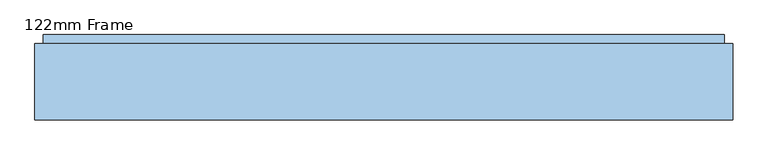
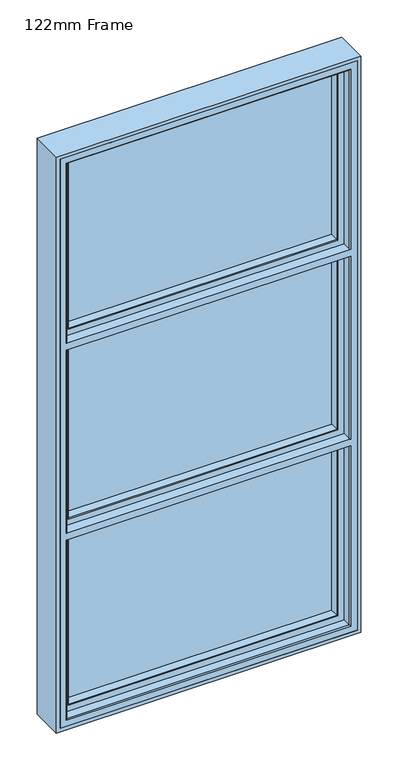
"""IFC4 building model written with IfcOpenShell, lengths in millimetres: window geometry, 122mm Frame."""

from ifc_helpers import new_model, si_unit, frame, origin, place, context, project, spatial, polyline, circle_curve, ellipse_curve, outline, extrude, source, transform, mapped, element, save
from ifc_brep_helpers import plane_surface, cylinder_surface, advanced_brep


def window_122mm_frame_300a90e1(model_context):
    return source(origin(), model_context, "Body", "SolidModel", [
        extrude(outline(polyline([(-452.6, 141.0), (452.6, 141.0), (452.6, 93.0), (-452.6, 93.0), (-452.6, 141.0)])), frame((0.0, 0.0, 847.4), z_axis=(0.0, 0.0, 1.0), x_axis=(1.0, 0.0, 0.0)), (0.0, 0.0, 1.0), 599.2666667),
        advanced_brep(
        [(-437.8697056, 91.0, 1432.9363723), (-440.9078547, 66.2562613, 1435.9745214), (-440.9078547, 66.2562613, 859.0921453), (-437.8697056, 91.0, 862.1302944), (-442.892947, 64.5, 1437.9596137), (-442.892947, 64.5, 857.107053), (440.9078547, 66.2562613, 859.0921453), (437.8697056, 91.0, 862.1302944), (-461.5, 91.0, 1456.5666667), (461.5, 91.0, 1456.5666667), (461.5, 91.0, 838.5), (-461.5, 91.0, 838.5), (437.8697056, 91.0, 1432.9363723), (-461.5, 82.0, 1456.5666667), (-461.5, 82.0, 838.5), (461.5, 82.0, 838.5), (-464.0, 82.0, 1459.0666667), (464.0, 82.0, 1459.0666667), (464.0, 82.0, 836.0), (-464.0, 82.0, 836.0), (461.5, 82.0, 1456.5666667), (-464.0, 64.5, 1459.0666667), (-464.0, 64.5, 836.0), (464.0, 64.5, 836.0), (464.0, 64.5, 1459.0666667), (442.892947, 64.5, 1437.9596137), (442.892947, 64.5, 857.107053), (440.9078547, 66.2562613, 1435.9745214)],
        [
            (0, 1),
            (1, 2),
            (2, 3),
            (3, 0),
            (1, 4, ellipse_curve(frame((-442.892947, 66.5, 1437.9596137), z_axis=(-0.7071067811865475, 0.0, -0.7071067811865475), x_axis=(-0.7071067811865474, 0.0, 0.7071067811865476)), 2.8284271, 2.0)),
            (4, 5),
            (5, 2, ellipse_curve(frame((-442.892947, 66.5, 857.107053), z_axis=(-0.7071067811865475, 0.0, 0.7071067811865475), x_axis=(0.7071067811865474, 0.0, 0.7071067811865476)), 2.8284271, 2.0)),
            (2, 6),
            (6, 7),
            (7, 3),
            (8, 9),
            (9, 10),
            (10, 11),
            (11, 8),
            (7, 12),
            (12, 0),
            (13, 8),
            (11, 14),
            (14, 13),
            (10, 15),
            (15, 14),
            (16, 17),
            (17, 18),
            (18, 19),
            (19, 16),
            (15, 20),
            (20, 13),
            (21, 16),
            (19, 22),
            (22, 21),
            (18, 23),
            (23, 22),
            (23, 24),
            (24, 21),
            (4, 25),
            (25, 26),
            (26, 5),
            (26, 6, ellipse_curve(frame((442.892947, 66.5, 857.107053), z_axis=(-0.7071067811865475, 0.0, -0.7071067811865475), x_axis=(-0.7071067811865476, 0.0, 0.7071067811865474)), 2.8284271, 2.0)),
            (6, 27),
            (27, 12),
            (9, 20),
            (17, 24),
            (25, 27, ellipse_curve(frame((442.892947, 66.5, 1437.9596137), z_axis=(0.7071067811865475, 0.0, -0.7071067811865475), x_axis=(-0.7071067811865474, 0.0, -0.7071067811865476)), 2.8284271, 2.0)),
            (27, 1),
        ],
        [
            plane_surface(frame((-440.9078547, 66.2562613, 1435.9745214), z_axis=(0.9925461516413219, -0.12186934340514886, 0.0), x_axis=(0.0, 0.0, -1.0))),
            cylinder_surface(frame((-442.892947, 66.5, 1432.6666667), z_axis=(0.0, 0.0, 1.0), x_axis=(0.0, 1.0, 0.0)), 2.0),
            plane_surface(frame((-440.9078547, 66.2562613, 859.0921453), z_axis=(0.0, -0.12186934340514886, 0.9925461516413219), x_axis=(1.0, 0.0, 0.0))),
            plane_surface(frame((437.8697056, 91.0, 1432.9363723), z_axis=(0.0, 1.0, 0.0), x_axis=(-1.0, 0.0, 0.0))),
            plane_surface(frame((-461.5, 91.0, 1456.5666667), z_axis=(-1.0, 0.0, 0.0), x_axis=(0.0, 0.0, -1.0))),
            plane_surface(frame((-461.5, 91.0, 838.5), z_axis=(0.0, 0.0, -1.0), x_axis=(1.0, 0.0, 0.0))),
            plane_surface(frame((461.5, 82.0, 1456.5666667), z_axis=(0.0, 1.0, 0.0), x_axis=(-1.0, 0.0, 0.0))),
            plane_surface(frame((-464.0, 82.0, 1459.0666667), z_axis=(-1.0, 0.0, 0.0), x_axis=(0.0, 0.0, -1.0))),
            plane_surface(frame((-464.0, 82.0, 836.0), z_axis=(0.0, 0.0, -1.0), x_axis=(1.0, 0.0, 0.0))),
            plane_surface(frame((464.0, 64.5, 1459.0666667), z_axis=(0.0, -1.0, 0.0), x_axis=(-1.0, 0.0, 0.0))),
            cylinder_surface(frame((-437.6, 66.5, 857.107053), z_axis=(-1.0, 0.0, 0.0), x_axis=(0.0, 1.0, 0.0)), 2.0),
            plane_surface(frame((440.9078547, 66.2562613, 859.0921453), z_axis=(-0.9925461516413219, -0.12186934340514886, 0.0), x_axis=(0.0, 0.0, 1.0))),
            plane_surface(frame((461.5, 91.0, 838.5), z_axis=(1.0, 0.0, 0.0), x_axis=(0.0, 0.0, 1.0))),
            plane_surface(frame((464.0, 82.0, 836.0), z_axis=(1.0, 0.0, 0.0), x_axis=(0.0, 0.0, 1.0))),
            cylinder_surface(frame((442.892947, 66.5, 862.4), z_axis=(0.0, 0.0, -1.0), x_axis=(0.0, 1.0, 0.0)), 2.0),
            plane_surface(frame((440.9078547, 66.2562613, 1435.9745214), z_axis=(0.0, -0.12186934340514886, -0.9925461516413219), x_axis=(-1.0, 0.0, 0.0))),
            plane_surface(frame((461.5, 91.0, 1456.5666667), z_axis=(0.0, 0.0, 1.0), x_axis=(-1.0, 0.0, 0.0))),
            plane_surface(frame((464.0, 82.0, 1459.0666667), z_axis=(0.0, 0.0, 1.0), x_axis=(-1.0, 0.0, 0.0))),
            cylinder_surface(frame((437.6, 66.5, 1437.9596137), z_axis=(1.0, 0.0, 0.0), x_axis=(0.0, 1.0, 0.0)), 2.0),
        ],
        [
            (0, [[1, 2, 3, 4]]),
            (1, [[5, 6, 7, -2]]),
            (2, [[-3, 8, 9, 10]]),
            (3, [[11, 12, 13, 14], [-10, 15, 16, -4]]),
            (4, [[17, -14, 18, 19]]),
            (5, [[-18, -13, 20, 21]]),
            (6, [[22, 23, 24, 25], [-21, 26, 27, -19]]),
            (7, [[28, -25, 29, 30]]),
            (8, [[-29, -24, 31, 32]]),
            (9, [[-32, 33, 34, -30], [35, 36, 37, -6]]),
            (10, [[-7, -37, 38, -8]]),
            (11, [[-9, 39, 40, -15]]),
            (12, [[-20, -12, 41, -26]]),
            (13, [[-31, -23, 42, -33]]),
            (14, [[-38, -36, 43, -39]]),
            (15, [[-40, 44, -1, -16]]),
            (16, [[-41, -11, -17, -27]]),
            (17, [[-42, -22, -28, -34]]),
            (18, [[-43, -35, -5, -44]]),
        ],
    ),
        advanced_brep(
        [(-488.0, 90.5, 2788.0), (-488.0, 154.0, 2788.0), (-488.0, 154.0, 812.0), (-488.0, 90.5, 812.0), (-488.0, 90.5, 1458.6666667), (-488.0, 86.5, 1458.6666667), (-488.0, 86.5, 812.0), (-488.0, 32.0, 812.0), (-488.0, 32.0, 2788.0), (-488.0, 86.5, 2788.0), (-488.0, 86.5, 2141.3333333), (-488.0, 90.5, 2141.3333333), (-488.0, 90.5, 1482.6666667), (-488.0, 90.5, 2117.3333333), (-488.0, 86.5, 2117.3333333), (-488.0, 86.5, 1482.6666667), (488.0, 154.0, 2788.0), (488.0, 154.0, 812.0), (-441.2576108, 154.0, 858.7423892), (441.2576108, 154.0, 858.7423892), (441.2576108, 154.0, 1435.9242774), (-441.2576108, 154.0, 1435.9242774), (441.2576108, 154.0, 2741.2576108), (-441.2576108, 154.0, 2741.2576108), (-441.2576108, 154.0, 2164.0757226), (441.2576108, 154.0, 2164.0757226), (441.2576108, 154.0, 1505.4090559), (441.2576108, 154.0, 2094.5909441), (-441.2576108, 154.0, 2094.5909441), (-441.2576108, 154.0, 1505.4090559), (488.0, 90.5, 812.0), (488.0, 90.5, 1458.6666667), (481.0, 90.5, 1458.6666667), (481.0, 90.5, 819.0), (-481.0, 90.5, 819.0), (-481.0, 90.5, 1458.6666667), (488.0, 90.5, 2788.0), (-481.0, 90.5, 2141.3333333), (-481.0, 90.5, 2781.0), (481.0, 90.5, 2781.0), (481.0, 90.5, 2141.3333333), (488.0, 90.5, 2141.3333333), (-481.0, 90.5, 1482.6666667), (-481.0, 90.5, 2117.3333333), (481.0, 90.5, 1482.6666667), (488.0, 90.5, 1482.6666667), (488.0, 90.5, 2117.3333333), (481.0, 90.5, 2117.3333333), (-481.0, 86.5, 819.0), (481.0, 86.5, 819.0), (481.0, 86.5, 1458.6666667), (488.0, 86.5, 1458.6666667), (488.0, 86.5, 812.0), (-481.0, 86.5, 1458.6666667), (481.0, 86.5, 2781.0), (-481.0, 86.5, 2781.0), (-481.0, 86.5, 2141.3333333), (488.0, 86.5, 2788.0), (488.0, 86.5, 2141.3333333), (481.0, 86.5, 2141.3333333), (-481.0, 86.5, 1482.6666667), (-481.0, 86.5, 2117.3333333), (488.0, 86.5, 1482.6666667), (481.0, 86.5, 1482.6666667), (481.0, 86.5, 2117.3333333), (488.0, 86.5, 2117.3333333), (488.0, 32.0, 812.0), (488.0, 32.0, 2788.0), (467.0, 32.0, 833.0), (-467.0, 32.0, 833.0), (-467.0, 32.0, 1458.6666667), (467.0, 32.0, 1458.6666667), (-467.0, 32.0, 2767.0), (467.0, 32.0, 2767.0), (467.0, 32.0, 2141.3333333), (-467.0, 32.0, 2141.3333333), (-467.0, 32.0, 1482.6666667), (-467.0, 32.0, 2117.3333333), (467.0, 32.0, 2117.3333333), (467.0, 32.0, 1482.6666667), (-438.0131086, 143.3877115, 861.9868914), (-438.0131086, 142.0, 861.9868914), (438.0131086, 142.0, 861.9868914), (438.0131086, 143.3877115, 861.9868914), (-462.2226568, 142.0, 837.7773432), (462.2226568, 142.0, 837.7773432), (462.2226568, 142.0, 1456.7286793), (-462.2226568, 142.0, 1456.7286793), (-438.0131086, 142.0, 1432.2555093), (438.0131086, 142.0, 1432.2555093), (462.2226568, 142.0, 2762.2226568), (-462.2226568, 142.0, 2762.2226568), (-462.2226568, 142.0, 2143.2713207), (462.2226568, 142.0, 2143.2713207), (-438.0131086, 142.0, 2738.0131086), (438.0131086, 142.0, 2738.0131086), (438.0131086, 142.0, 2167.7444907), (-438.0131086, 142.0, 2167.7444907), (-462.2226568, 142.0, 1484.6046541), (462.2226568, 142.0, 1484.6046541), (462.2226568, 142.0, 2115.3953459), (-462.2226568, 142.0, 2115.3953459), (438.0131086, 142.0, 1509.0778241), (-438.0131086, 142.0, 1509.0778241), (-438.0131086, 142.0, 2090.9221759), (438.0131086, 142.0, 2090.9221759), (-438.0131086, 143.3877115, 1432.6797752), (-438.0131086, 143.3877115, 2738.0131086), (-438.0131086, 143.3877115, 2167.3202248), (-438.0131086, 143.3877115, 1508.6535581), (-438.0131086, 143.3877115, 2091.3464419), (438.0131086, 143.3877115, 1432.6797752), (438.0131086, 143.3877115, 2738.0131086), (438.0131086, 143.3877115, 2167.3202248), (438.0131086, 143.3877115, 1508.6535581), (438.0131086, 143.3877115, 2091.3464419), (-455.7805994, 91.0, 844.2194006), (455.7805994, 91.0, 844.2194006), (455.7805994, 91.0, 1450.4666667), (455.7805994, 91.0, 2755.7805994), (455.7805994, 91.0, 2149.5333333), (455.7805994, 91.0, 1490.8666667), (455.7805994, 91.0, 2109.1333333), (-455.7805994, 91.0, 1450.4666667), (-455.7805994, 91.0, 2755.7805994), (-455.7805994, 91.0, 2149.5333333), (-455.7805994, 91.0, 1490.8666667), (-455.7805994, 91.0, 2109.1333333), (-462.0, 91.0, 838.0), (462.0, 91.0, 838.0), (462.0, 91.0, 1458.6666667), (-462.0, 91.0, 1458.6666667), (462.0, 91.0, 2762.0), (-462.0, 91.0, 2762.0), (-462.0, 91.0, 2141.3333333), (462.0, 91.0, 2141.3333333), (-462.0, 91.0, 1482.6666667), (462.0, 91.0, 1482.6666667), (462.0, 91.0, 2117.3333333), (-462.0, 91.0, 2117.3333333), (-462.0, 83.0, 838.0), (462.0, 83.0, 838.0), (462.0, 83.0, 1458.6666667), (462.0, 83.0, 2762.0), (462.0, 83.0, 2141.3333333), (462.0, 83.0, 1482.6666667), (462.0, 83.0, 2117.3333333), (-462.0, 83.0, 1458.6666667), (-462.0, 83.0, 2762.0), (-462.0, 83.0, 2141.3333333), (-462.0, 83.0, 1482.6666667), (-462.0, 83.0, 2117.3333333), (464.0, 35.0, 836.0), (-464.0, 35.0, 836.0), (-464.0, 35.0, 1458.6666667), (-464.0, 35.0, 2764.0), (-464.0, 35.0, 2141.3333333), (-464.0, 35.0, 1482.6666667), (-464.0, 35.0, 2117.3333333), (464.0, 35.0, 1458.6666667), (464.0, 35.0, 2764.0), (464.0, 35.0, 2141.3333333), (464.0, 35.0, 1482.6666667), (464.0, 35.0, 2117.3333333), (-464.0, 83.0, 836.0), (-464.0, 83.0, 1458.6666667), (-464.0, 83.0, 2764.0), (-464.0, 83.0, 2141.3333333), (-464.0, 83.0, 1482.6666667), (-464.0, 83.0, 2117.3333333), (464.0, 83.0, 836.0), (464.0, 83.0, 1458.6666667), (464.0, 83.0, 2764.0), (464.0, 83.0, 2141.3333333), (464.0, 83.0, 1482.6666667), (464.0, 83.0, 2117.3333333)],
        [
            (0, 1),
            (1, 2),
            (2, 3),
            (3, 4),
            (4, 5),
            (5, 6),
            (6, 7),
            (7, 8),
            (8, 9),
            (9, 10),
            (10, 11),
            (11, 0),
            (12, 13),
            (13, 14),
            (14, 15),
            (15, 12),
            (16, 17),
            (17, 2),
            (1, 16),
            (18, 19),
            (19, 20),
            (20, 21),
            (21, 18),
            (22, 23),
            (23, 24),
            (24, 25),
            (25, 22),
            (26, 27),
            (27, 28),
            (28, 29),
            (29, 26),
            (17, 30),
            (30, 3),
            (30, 31),
            (31, 32),
            (32, 33),
            (33, 34),
            (34, 35),
            (35, 4),
            (36, 0),
            (11, 37),
            (37, 38),
            (38, 39),
            (39, 40),
            (40, 41),
            (41, 36),
            (12, 42),
            (42, 43),
            (43, 13),
            (44, 45),
            (45, 46),
            (46, 47),
            (47, 44),
            (48, 49),
            (49, 50),
            (50, 51),
            (51, 52),
            (52, 6),
            (5, 53),
            (53, 48),
            (54, 55),
            (55, 56),
            (56, 10),
            (9, 57),
            (57, 58),
            (58, 59),
            (59, 54),
            (60, 15),
            (14, 61),
            (61, 60),
            (62, 63),
            (63, 64),
            (64, 65),
            (65, 62),
            (66, 7),
            (52, 66),
            (66, 67),
            (67, 8),
            (68, 69),
            (69, 70),
            (70, 71),
            (71, 68),
            (72, 73),
            (73, 74),
            (74, 75),
            (75, 72),
            (76, 77),
            (77, 78),
            (78, 79),
            (79, 76),
            (16, 36),
            (41, 58),
            (57, 67),
            (51, 31),
            (65, 46),
            (45, 62),
            (80, 81),
            (81, 82),
            (82, 83),
            (83, 80),
            (84, 85),
            (85, 86),
            (86, 87),
            (87, 84),
            (81, 88),
            (88, 89),
            (89, 82),
            (90, 91),
            (91, 92),
            (92, 93),
            (93, 90),
            (94, 95),
            (95, 96),
            (96, 97),
            (97, 94),
            (98, 99),
            (99, 100),
            (100, 101),
            (101, 98),
            (102, 103),
            (103, 104),
            (104, 105),
            (105, 102),
            (80, 106),
            (106, 88),
            (107, 94),
            (97, 108),
            (108, 107),
            (103, 109),
            (109, 110),
            (110, 104),
            (89, 111),
            (111, 83),
            (95, 112),
            (112, 113),
            (113, 96),
            (114, 102),
            (105, 115),
            (115, 114),
            (84, 116),
            (116, 117),
            (117, 85),
            (117, 118),
            (118, 86),
            (119, 90),
            (93, 120),
            (120, 119),
            (99, 121),
            (121, 122),
            (122, 100),
            (87, 123),
            (123, 116),
            (91, 124),
            (124, 125),
            (125, 92),
            (126, 98),
            (101, 127),
            (127, 126),
            (128, 129),
            (129, 130),
            (130, 131),
            (131, 128),
            (123, 118),
            (132, 133),
            (133, 134),
            (134, 135),
            (135, 132),
            (120, 125),
            (124, 119),
            (136, 137),
            (137, 138),
            (138, 139),
            (139, 136),
            (121, 126),
            (127, 122),
            (128, 140),
            (140, 141),
            (141, 129),
            (141, 142),
            (142, 130),
            (143, 132),
            (135, 144),
            (144, 143),
            (137, 145),
            (145, 146),
            (146, 138),
            (131, 147),
            (147, 140),
            (133, 148),
            (148, 149),
            (149, 134),
            (150, 136),
            (139, 151),
            (151, 150),
            (152, 153),
            (153, 69, ellipse_curve(frame((-467.0, 35.0, 833.0), z_axis=(0.7071067811865475, 0.0, -0.7071067811865475), x_axis=(-0.7071067811865476, 0.0, -0.7071067811865474)), 4.2426407, 3.0)),
            (68, 152, ellipse_curve(frame((467.0, 35.0, 833.0), z_axis=(-0.7071067811865475, 0.0, -0.7071067811865475), x_axis=(-0.7071067811865476, 0.0, 0.7071067811865474)), 4.2426407, 3.0)),
            (153, 154),
            (154, 70, circle_curve(frame((-467.0, 35.0, 1458.6666667), z_axis=(0.0, 0.0, -1.0), x_axis=(0.0, 1.0, 0.0)), 3.0)),
            (155, 72, ellipse_curve(frame((-467.0, 35.0, 2767.0), z_axis=(-0.7071067811865475, 0.0, -0.7071067811865475), x_axis=(-0.7071067811865474, 0.0, 0.7071067811865476)), 4.2426407, 3.0)),
            (75, 156, circle_curve(frame((-467.0, 35.0, 2141.3333333), z_axis=(0.0, 0.0, 1.0), x_axis=(0.0, 1.0, 0.0)), 3.0)),
            (156, 155),
            (76, 157, circle_curve(frame((-467.0, 35.0, 1482.6666667), z_axis=(0.0, 0.0, 1.0), x_axis=(0.0, 1.0, 0.0)), 3.0)),
            (157, 158),
            (158, 77, circle_curve(frame((-467.0, 35.0, 2117.3333333), z_axis=(0.0, 0.0, -1.0), x_axis=(0.0, 1.0, 0.0)), 3.0)),
            (71, 159, circle_curve(frame((467.0, 35.0, 1458.6666667), z_axis=(0.0, 0.0, -1.0), x_axis=(0.0, 1.0, 0.0)), 3.0)),
            (159, 152),
            (73, 160, ellipse_curve(frame((467.0, 35.0, 2767.0), z_axis=(0.7071067811865475, 0.0, -0.7071067811865475), x_axis=(-0.7071067811865474, 0.0, -0.7071067811865476)), 4.2426407, 3.0)),
            (160, 161),
            (161, 74, circle_curve(frame((467.0, 35.0, 2141.3333333), z_axis=(0.0, 0.0, 1.0), x_axis=(0.0, 1.0, 0.0)), 3.0)),
            (162, 79, circle_curve(frame((467.0, 35.0, 1482.6666667), z_axis=(0.0, 0.0, 1.0), x_axis=(0.0, 1.0, 0.0)), 3.0)),
            (78, 163, circle_curve(frame((467.0, 35.0, 2117.3333333), z_axis=(0.0, 0.0, -1.0), x_axis=(0.0, 1.0, 0.0)), 3.0)),
            (163, 162),
            (18, 80),
            (83, 19),
            (111, 20),
            (112, 22),
            (25, 113),
            (26, 114),
            (115, 27),
            (21, 106),
            (23, 107),
            (108, 24),
            (109, 29),
            (28, 110),
            (153, 164),
            (164, 165),
            (165, 154),
            (166, 155),
            (156, 167),
            (167, 166),
            (157, 168),
            (168, 169),
            (169, 158),
            (152, 170),
            (170, 164),
            (170, 171),
            (171, 142),
            (147, 165),
            (172, 166),
            (167, 149),
            (148, 143),
            (144, 173),
            (173, 172),
            (145, 174),
            (174, 175),
            (175, 146),
            (168, 150),
            (151, 169),
            (159, 171),
            (160, 172),
            (173, 161),
            (174, 162),
            (163, 175),
            (34, 48),
            (53, 35),
            (55, 38),
            (37, 56),
            (42, 60),
            (61, 43),
            (33, 49),
            (32, 50),
            (39, 54),
            (59, 40),
            (63, 44),
            (47, 64),
            (107, 112),
            (155, 160),
        ],
        [
            plane_surface(frame((-488.0, 154.0, 1435.9242774), z_axis=(-1.0000000000000002, 0.0, 0.0), x_axis=(0.0, -0.9563047559638646, -0.29237170472002516))),
            plane_surface(frame((-488.0, 154.0, 1505.4090559), z_axis=(0.0, 1.0, 0.0), x_axis=(1.0, 0.0, 0.0))),
            plane_surface(frame((-488.0, 154.0, 812.0), z_axis=(0.0, 0.0, -1.0), x_axis=(1.0, 0.0, 0.0))),
            plane_surface(frame((488.0, 90.5, 2788.0), z_axis=(0.0, -1.0, 0.0), x_axis=(-1.0, 0.0, 0.0))),
            plane_surface(frame((481.0, 86.5, 2781.0), z_axis=(0.0, 1.0, 0.0), x_axis=(-1.0, 0.0, 0.0))),
            plane_surface(frame((-488.0, 86.5, 812.0), z_axis=(0.0, 0.0, -1.0), x_axis=(1.0, 0.0, 0.0))),
            plane_surface(frame((-488.0, 32.0, 1458.6666667), z_axis=(0.0, -1.0, 0.0), x_axis=(1.0, 0.0, 0.0))),
            plane_surface(frame((488.0, 154.0, 1435.9242774), z_axis=(1.0000000000000002, 0.0, 0.0), x_axis=(0.0, 0.9563047559638646, 0.29237170472002516))),
            plane_surface(frame((-438.0131086, 142.0, 861.9868914), z_axis=(0.0, 0.0, 1.0), x_axis=(1.0, 0.0, 0.0))),
            plane_surface(frame((-488.0, 142.0, 1432.2555093), z_axis=(0.0, -1.0, 0.0), x_axis=(1.0, 0.0, 0.0))),
            plane_surface(frame((-438.0131086, 142.0, 2738.0131086), z_axis=(1.0, 0.0, 0.0), x_axis=(0.0, 0.0, -1.0))),
            plane_surface(frame((438.0131086, 142.0, 861.9868914), z_axis=(-1.0, 0.0, 0.0), x_axis=(0.0, 0.0, 1.0))),
            plane_surface(frame((-455.7805994, 91.0, 844.2194006), z_axis=(0.0, 0.1253190461918616, 0.992116493493361), x_axis=(1.0, 0.0, 0.0))),
            plane_surface(frame((455.7805994, 91.0, 844.2194006), z_axis=(-0.992116493493361, 0.1253190461918616, 0.0), x_axis=(0.0, 0.0, 1.0))),
            plane_surface(frame((-455.7805994, 91.0, 2755.7805994), z_axis=(0.992116493493361, 0.1253190461918616, 0.0), x_axis=(0.0, 0.0, -1.0))),
            plane_surface(frame((-488.0, 91.0, 1450.4666667), z_axis=(0.0, -1.0, 0.0), x_axis=(1.0, 0.0, 0.0))),
            plane_surface(frame((-462.0, 83.0, 838.0), z_axis=(0.0, 0.0, 1.0), x_axis=(1.0, 0.0, 0.0))),
            plane_surface(frame((462.0, 83.0, 838.0), z_axis=(-1.0, 0.0, 0.0), x_axis=(0.0, 0.0, 1.0))),
            plane_surface(frame((-462.0, 83.0, 2762.0), z_axis=(1.0, 0.0, 0.0), x_axis=(0.0, 0.0, -1.0))),
            cylinder_surface(frame((-488.0, 35.0, 833.0), z_axis=(-1.0, 0.0, 0.0), x_axis=(0.0, 1.0, 0.0)), 3.0),
            cylinder_surface(frame((-467.0, 35.0, 2788.0), z_axis=(0.0, 0.0, 1.0), x_axis=(0.0, 1.0, 0.0)), 3.0),
            cylinder_surface(frame((467.0, 35.0, 812.0), z_axis=(0.0, 0.0, -1.0), x_axis=(0.0, 1.0, 0.0)), 3.0),
            plane_surface(frame((-438.0131086, 143.3877115, 861.9868914), z_axis=(0.0, 0.29237170472308205, 0.95630475596293), x_axis=(1.0, 0.0, 0.0))),
            plane_surface(frame((438.0131086, 143.3877115, 861.9868914), z_axis=(-0.95630475596293, 0.29237170472308205, 0.0), x_axis=(0.0, 0.0, 1.0))),
            plane_surface(frame((-438.0131086, 143.3877115, 2738.0131086), z_axis=(0.95630475596293, 0.29237170472308205, 0.0), x_axis=(0.0, 0.0, -1.0))),
            plane_surface(frame((-464.0, 35.0, 2764.0), z_axis=(1.0, 0.0, 0.0), x_axis=(0.0, 0.0, -1.0))),
            plane_surface(frame((-464.0, 35.0, 836.0), z_axis=(0.0, 0.0, 1.0), x_axis=(1.0, 0.0, 0.0))),
            plane_surface(frame((464.0, 83.0, 2764.0), z_axis=(0.0, -1.0, 0.0), x_axis=(-1.0, 0.0, 0.0))),
            plane_surface(frame((464.0, 35.0, 836.0), z_axis=(-1.0, 0.0, 0.0), x_axis=(0.0, 0.0, 1.0))),
            plane_surface(frame((-481.0, 90.5, 2781.0), z_axis=(-1.0, 0.0, 0.0), x_axis=(0.0, 0.0, -1.0))),
            plane_surface(frame((-481.0, 90.5, 819.0), z_axis=(0.0, 0.0, -1.0), x_axis=(1.0, 0.0, 0.0))),
            plane_surface(frame((481.0, 90.5, 819.0), z_axis=(1.0, 0.0, 0.0), x_axis=(0.0, 0.0, 1.0))),
            plane_surface(frame((488.0, 154.0, 2788.0), z_axis=(0.0, 0.0, 1.0), x_axis=(-1.0, 0.0, 0.0))),
            plane_surface(frame((488.0, 86.5, 2788.0), z_axis=(0.0, 0.0, 1.0), x_axis=(-1.0, 0.0, 0.0))),
            plane_surface(frame((438.0131086, 142.0, 2738.0131086), z_axis=(0.0, 0.0, -1.0), x_axis=(-1.0, 0.0, 0.0))),
            plane_surface(frame((-488.0, 142.0, 2167.7444907), z_axis=(0.0, 0.2923717047200097, 0.9563047559638692), x_axis=(1.0, 0.0, 0.0))),
            plane_surface(frame((455.7805994, 91.0, 2755.7805994), z_axis=(0.0, 0.1253190461918616, -0.992116493493361), x_axis=(-1.0, 0.0, 0.0))),
            plane_surface(frame((462.0, 83.0, 2762.0), z_axis=(0.0, 0.0, -1.0), x_axis=(-1.0, 0.0, 0.0))),
            cylinder_surface(frame((488.0, 35.0, 2767.0), z_axis=(1.0, 0.0, 0.0), x_axis=(0.0, 1.0, 0.0)), 3.0),
            plane_surface(frame((438.0131086, 143.3877115, 2738.0131086), z_axis=(0.0, 0.29237170472308205, -0.95630475596293), x_axis=(-1.0, 0.0, 0.0))),
            plane_surface(frame((464.0, 35.0, 2764.0), z_axis=(0.0, 0.0, -1.0), x_axis=(-1.0, 0.0, 0.0))),
            plane_surface(frame((481.0, 90.5, 2781.0), z_axis=(0.0, 0.0, 1.0), x_axis=(-1.0, 0.0, 0.0))),
            plane_surface(frame((-488.0, 154.0, 1435.9242774), z_axis=(0.0, 0.29237170472002516, -0.9563047559638646), x_axis=(1.0, 0.0, 0.0))),
            plane_surface(frame((-488.0, 142.0, 1456.7286793), z_axis=(0.0, 0.12186934340546669, -0.9925461516412829), x_axis=(1.0, 0.0, 0.0))),
            plane_surface(frame((-488.0, 91.0, 1458.6666667), z_axis=(0.0, 0.0, -1.0), x_axis=(1.0, 0.0, 0.0))),
            plane_surface(frame((-488.0, 32.0, 1482.6666667), z_axis=(0.0, 0.0, 1.0), x_axis=(1.0, 0.0, 0.0))),
            plane_surface(frame((-488.0, 91.0, 1490.8666667), z_axis=(0.0, 0.1218693434055982, 0.9925461516412667), x_axis=(1.0, 0.0, 0.0))),
            plane_surface(frame((-488.0, 142.0, 1509.0778241), z_axis=(0.0, 0.29237170472005614, 0.9563047559638551), x_axis=(1.0, 0.0, 0.0))),
            plane_surface(frame((-488.0, 154.0, 2094.5909441), z_axis=(0.0, 0.29237170471997803, -0.956304755963879), x_axis=(1.0, 0.0, 0.0))),
            plane_surface(frame((-488.0, 142.0, 2115.3953459), z_axis=(0.0, 0.12186934340530209, -0.9925461516413031), x_axis=(1.0, 0.0, 0.0))),
            plane_surface(frame((-488.0, 91.0, 2117.3333333), z_axis=(0.0, 0.0, -1.0), x_axis=(1.0, 0.0, 0.0))),
            plane_surface(frame((-488.0, 32.0, 2141.3333333), z_axis=(0.0, 0.0, 1.0), x_axis=(1.0, 0.0, 0.0))),
            plane_surface(frame((-488.0, 91.0, 2149.5333333), z_axis=(0.0, 0.12186934340544407, 0.9925461516412857), x_axis=(1.0, 0.0, 0.0))),
        ],
        [
            (0, [[1, 2, 3, 4, 5, 6, 7, 8, 9, 10, 11, 12], [13, 14, 15, 16]]),
            (1, [[17, 18, -2, 19], [20, 21, 22, 23], [24, 25, 26, 27], [28, 29, 30, 31]]),
            (2, [[-3, -18, 32, 33]]),
            (3, [[-33, 34, 35, 36, 37, 38, 39, -4]]),
            (3, [[40, -12, 41, 42, 43, 44, 45, 46]]),
            (3, [[47, 48, 49, -13]]),
            (3, [[50, 51, 52, 53]]),
            (4, [[54, 55, 56, 57, 58, -6, 59, 60]]),
            (4, [[61, 62, 63, -10, 64, 65, 66, 67]]),
            (4, [[68, -15, 69, 70]]),
            (4, [[71, 72, 73, 74]]),
            (5, [[75, -7, -58, 76]]),
            (6, [[-8, -75, 77, 78], [79, 80, 81, 82], [83, 84, 85, 86], [87, 88, 89, 90]]),
            (7, [[-32, -17, 91, -46, 92, -65, 93, -77, -76, -57, 94, -34], [-74, 95, -51, 96]]),
            (8, [[97, 98, 99, 100]]),
            (9, [[101, 102, 103, 104], [-98, 105, 106, 107]]),
            (9, [[108, 109, 110, 111], [112, 113, 114, 115]]),
            (9, [[116, 117, 118, 119], [120, 121, 122, 123]]),
            (10, [[-97, 124, 125, -105]]),
            (10, [[126, -115, 127, 128]]),
            (10, [[129, 130, 131, -121]]),
            (11, [[-99, -107, 132, 133]]),
            (11, [[134, 135, 136, -113]]),
            (11, [[137, -123, 138, 139]]),
            (12, [[-101, 140, 141, 142]]),
            (13, [[-142, 143, 144, -102]]),
            (13, [[145, -111, 146, 147]]),
            (13, [[-117, 148, 149, 150]]),
            (14, [[-140, -104, 151, 152]]),
            (14, [[-109, 153, 154, 155]]),
            (14, [[156, -119, 157, 158]]),
            (15, [[159, 160, 161, 162], [-141, -152, 163, -143]]),
            (15, [[164, 165, 166, 167], [-147, 168, -154, 169]]),
            (15, [[170, 171, 172, 173], [174, -158, 175, -149]]),
            (16, [[176, 177, 178, -159]]),
            (17, [[-178, 179, 180, -160]]),
            (17, [[181, -167, 182, 183]]),
            (17, [[-171, 184, 185, 186]]),
            (18, [[-176, -162, 187, 188]]),
            (18, [[-165, 189, 190, 191]]),
            (18, [[192, -173, 193, 194]]),
            (19, [[195, 196, -79, 197]]),
            (20, [[-196, 198, 199, -80]]),
            (20, [[200, -86, 201, 202]]),
            (20, [[203, 204, 205, -87]]),
            (21, [[-197, -82, 206, 207]]),
            (21, [[208, 209, 210, -84]]),
            (21, [[211, -89, 212, 213]]),
            (22, [[214, -100, 215, -20]]),
            (23, [[-215, -133, 216, -21]]),
            (23, [[217, -27, 218, -135]]),
            (23, [[219, -139, 220, -28]]),
            (24, [[-214, -23, 221, -124]]),
            (24, [[222, -128, 223, -25]]),
            (24, [[224, -30, 225, -130]]),
            (25, [[226, 227, 228, -198]]),
            (25, [[229, -202, 230, 231]]),
            (25, [[232, 233, 234, -204]]),
            (26, [[-226, -195, 235, 236]]),
            (27, [[-236, 237, 238, -179, -177, -188, 239, -227]]),
            (27, [[240, -231, 241, -190, 242, -183, 243, 244]]),
            (27, [[245, 246, 247, -185]]),
            (27, [[248, -194, 249, -233]]),
            (28, [[-235, -207, 250, -237]]),
            (28, [[251, -244, 252, -209]]),
            (28, [[253, -213, 254, -246]]),
            (29, [[255, -60, 256, -38]]),
            (29, [[257, -42, 258, -62]]),
            (29, [[259, -70, 260, -48]]),
            (30, [[-255, -37, 261, -54]]),
            (31, [[-261, -36, 262, -55]]),
            (31, [[263, -67, 264, -44]]),
            (31, [[265, -53, 266, -72]]),
            (32, [[-1, -40, -91, -19]]),
            (33, [[-78, -93, -64, -9]]),
            (34, [[-126, 267, -134, -112]]),
            (35, [[-26, -223, -127, -114, -136, -218]]),
            (36, [[-108, -145, -169, -153]]),
            (37, [[-189, -164, -181, -242]]),
            (38, [[268, -208, -83, -200]]),
            (39, [[-222, -24, -217, -267]]),
            (40, [[-229, -240, -251, -268]]),
            (41, [[-257, -61, -263, -43]]),
            (42, [[-22, -216, -132, -106, -125, -221]]),
            (43, [[-163, -151, -103, -144]]),
            (44, [[-5, -39, -256, -59]]),
            (44, [[-94, -56, -262, -35]]),
            (44, [[-81, -199, -228, -239, -187, -161, -180, -238, -250, -206]]),
            (45, [[-16, -68, -259, -47]]),
            (45, [[-96, -50, -265, -71]]),
            (45, [[-90, -211, -253, -245, -184, -170, -192, -248, -232, -203]]),
            (46, [[-174, -148, -116, -156]]),
            (47, [[-120, -137, -219, -31, -224, -129]]),
            (48, [[-29, -220, -138, -122, -131, -225]]),
            (49, [[-118, -150, -175, -157]]),
            (50, [[-14, -49, -260, -69]]),
            (50, [[-95, -73, -266, -52]]),
            (50, [[-88, -205, -234, -249, -193, -172, -186, -247, -254, -212]]),
            (51, [[-11, -63, -258, -41]]),
            (51, [[-92, -45, -264, -66]]),
            (51, [[-85, -210, -252, -243, -182, -166, -191, -241, -230, -201]]),
            (52, [[-110, -155, -168, -146]]),
        ],
    ),
        extrude(outline(polyline([(2800.0, -500.0), (800.0, -500.0), (800.0, 500.0), (2800.0, 500.0), (2800.0, -500.0)]), holes=[polyline([(2788.0, 488.0), (812.0, 488.0), (812.0, -488.0), (2788.0, -488.0), (2788.0, 488.0)])]), frame((0.0, 32.0, 0.0), z_axis=(0.0, 1.0, 0.0), x_axis=(0.0, 0.0, 1.0)), (0.0, 0.0, 1.0), 109.0),
        extrude(outline(polyline([(-452.6, 141.0), (452.6, 141.0), (452.6, 93.0), (-452.6, 93.0), (-452.6, 141.0)])), frame((0.0, 0.0, 1494.6666667), z_axis=(0.0, 0.0, 1.0), x_axis=(1.0, 0.0, 0.0)), (0.0, 0.0, 1.0), 610.6666667),
        advanced_brep(
        [(-437.8697056, 91.0, 2091.6030389), (-440.9078547, 66.2562613, 2094.641188), (-440.9078547, 66.2562613, 1505.358812), (-437.8697056, 91.0, 1508.3969611), (-461.5, 82.0, 2115.2333333), (-461.5, 91.0, 2115.2333333), (-461.5, 91.0, 1484.7666667), (-461.5, 82.0, 1484.7666667), (-464.0, 64.5, 2117.7333333), (-464.0, 82.0, 2117.7333333), (-464.0, 82.0, 1482.2666667), (-464.0, 64.5, 1482.2666667), (-442.892947, 64.5, 2096.6262803), (-442.892947, 64.5, 1503.3737197), (440.9078547, 66.2562613, 1505.358812), (437.8697056, 91.0, 1508.3969611), (461.5, 91.0, 1484.7666667), (461.5, 82.0, 1484.7666667), (464.0, 82.0, 1482.2666667), (464.0, 64.5, 1482.2666667), (442.892947, 64.5, 1503.3737197), (440.9078547, 66.2562613, 2094.641188), (437.8697056, 91.0, 2091.6030389), (461.5, 91.0, 2115.2333333), (461.5, 82.0, 2115.2333333), (464.0, 82.0, 2117.7333333), (464.0, 64.5, 2117.7333333), (442.892947, 64.5, 2096.6262803)],
        [
            (0, 1),
            (1, 2),
            (2, 3),
            (3, 0),
            (4, 5),
            (5, 6),
            (6, 7),
            (7, 4),
            (8, 9),
            (9, 10),
            (10, 11),
            (11, 8),
            (1, 12, ellipse_curve(frame((-442.892947, 66.5, 2096.6262803), z_axis=(-0.7071067811865475, 0.0, -0.7071067811865475), x_axis=(-0.7071067811865474, 0.0, 0.7071067811865476)), 2.8284271, 2.0)),
            (12, 13),
            (13, 2, ellipse_curve(frame((-442.892947, 66.5, 1503.3737197), z_axis=(-0.7071067811865475, 0.0, 0.7071067811865475), x_axis=(0.7071067811865474, 0.0, 0.7071067811865476)), 2.8284271, 2.0)),
            (2, 14),
            (14, 15),
            (15, 3),
            (6, 16),
            (16, 17),
            (17, 7),
            (10, 18),
            (18, 19),
            (19, 11),
            (13, 20),
            (20, 14, ellipse_curve(frame((442.892947, 66.5, 1503.3737197), z_axis=(-0.7071067811865475, 0.0, -0.7071067811865475), x_axis=(-0.7071067811865476, 0.0, 0.7071067811865474)), 2.8284271, 2.0)),
            (14, 21),
            (21, 22),
            (22, 15),
            (16, 23),
            (23, 24),
            (24, 17),
            (18, 25),
            (25, 26),
            (26, 19),
            (20, 27),
            (27, 21, ellipse_curve(frame((442.892947, 66.5, 2096.6262803), z_axis=(0.7071067811865475, 0.0, -0.7071067811865475), x_axis=(-0.7071067811865474, 0.0, -0.7071067811865476)), 2.8284271, 2.0)),
            (21, 1),
            (0, 22),
            (5, 23),
            (4, 24),
            (9, 25),
            (8, 26),
            (12, 27),
        ],
        [
            plane_surface(frame((-440.9078547, 66.2562613, 2094.641188), z_axis=(0.9925461516413219, -0.12186934340514886, 0.0), x_axis=(0.0, 0.0, -1.0))),
            plane_surface(frame((-461.5, 91.0, 2115.2333333), z_axis=(-1.0, 0.0, 0.0), x_axis=(0.0, 0.0, -1.0))),
            plane_surface(frame((-464.0, 82.0, 2117.7333333), z_axis=(-1.0, 0.0, 0.0), x_axis=(0.0, 0.0, -1.0))),
            cylinder_surface(frame((-442.892947, 66.5, 2091.3333333), z_axis=(0.0, 0.0, 1.0), x_axis=(0.0, 1.0, 0.0)), 2.0),
            plane_surface(frame((-440.9078547, 66.2562613, 1505.358812), z_axis=(0.0, -0.12186934340514886, 0.9925461516413219), x_axis=(1.0, 0.0, 0.0))),
            plane_surface(frame((-461.5, 91.0, 1484.7666667), z_axis=(0.0, 0.0, -1.0), x_axis=(1.0, 0.0, 0.0))),
            plane_surface(frame((-464.0, 82.0, 1482.2666667), z_axis=(0.0, 0.0, -1.0), x_axis=(1.0, 0.0, 0.0))),
            cylinder_surface(frame((-437.6, 66.5, 1503.3737197), z_axis=(-1.0, 0.0, 0.0), x_axis=(0.0, 1.0, 0.0)), 2.0),
            plane_surface(frame((440.9078547, 66.2562613, 1505.358812), z_axis=(-0.9925461516413219, -0.12186934340514886, 0.0), x_axis=(0.0, 0.0, 1.0))),
            plane_surface(frame((461.5, 91.0, 1484.7666667), z_axis=(1.0, 0.0, 0.0), x_axis=(0.0, 0.0, 1.0))),
            plane_surface(frame((464.0, 82.0, 1482.2666667), z_axis=(1.0, 0.0, 0.0), x_axis=(0.0, 0.0, 1.0))),
            cylinder_surface(frame((442.892947, 66.5, 1508.6666667), z_axis=(0.0, 0.0, -1.0), x_axis=(0.0, 1.0, 0.0)), 2.0),
            plane_surface(frame((440.9078547, 66.2562613, 2094.641188), z_axis=(0.0, -0.12186934340514886, -0.9925461516413219), x_axis=(-1.0, 0.0, 0.0))),
            plane_surface(frame((437.8697056, 91.0, 2091.6030389), z_axis=(0.0, 1.0, 0.0), x_axis=(-1.0, 0.0, 0.0))),
            plane_surface(frame((461.5, 91.0, 2115.2333333), z_axis=(0.0, 0.0, 1.0), x_axis=(-1.0, 0.0, 0.0))),
            plane_surface(frame((461.5, 82.0, 2115.2333333), z_axis=(0.0, 1.0, 0.0), x_axis=(-1.0, 0.0, 0.0))),
            plane_surface(frame((464.0, 82.0, 2117.7333333), z_axis=(0.0, 0.0, 1.0), x_axis=(-1.0, 0.0, 0.0))),
            plane_surface(frame((464.0, 64.5, 2117.7333333), z_axis=(0.0, -1.0, 0.0), x_axis=(-1.0, 0.0, 0.0))),
            cylinder_surface(frame((437.6, 66.5, 2096.6262803), z_axis=(1.0, 0.0, 0.0), x_axis=(0.0, 1.0, 0.0)), 2.0),
        ],
        [
            (0, [[1, 2, 3, 4]]),
            (1, [[5, 6, 7, 8]]),
            (2, [[9, 10, 11, 12]]),
            (3, [[13, 14, 15, -2]]),
            (4, [[-3, 16, 17, 18]]),
            (5, [[-7, 19, 20, 21]]),
            (6, [[-11, 22, 23, 24]]),
            (7, [[-15, 25, 26, -16]]),
            (8, [[-17, 27, 28, 29]]),
            (9, [[-20, 30, 31, 32]]),
            (10, [[-23, 33, 34, 35]]),
            (11, [[-26, 36, 37, -27]]),
            (12, [[-28, 38, -1, 39]]),
            (13, [[40, -30, -19, -6], [-18, -29, -39, -4]]),
            (14, [[-31, -40, -5, 41]]),
            (15, [[42, -33, -22, -10], [-21, -32, -41, -8]]),
            (16, [[-34, -42, -9, 43]]),
            (17, [[-24, -35, -43, -12], [44, -36, -25, -14]]),
            (18, [[-37, -44, -13, -38]]),
        ],
    ),
        extrude(outline(polyline([(-452.6, 141.0), (452.6, 141.0), (452.6, 93.0), (-452.6, 93.0), (-452.6, 141.0)])), frame((0.0, 0.0, 2153.3333333), z_axis=(0.0, 0.0, 1.0), x_axis=(1.0, 0.0, 0.0)), (0.0, 0.0, 1.0), 599.2666667),
        advanced_brep(
        [(437.8697056, 91.0, 2737.8697056), (440.9078547, 66.2562613, 2740.9078547), (-440.9078547, 66.2562613, 2740.9078547), (-437.8697056, 91.0, 2737.8697056), (-440.9078547, 66.2562613, 2164.0254786), (-437.8697056, 91.0, 2167.0636277), (-442.892947, 64.5, 2742.892947), (-442.892947, 64.5, 2162.0403863), (440.9078547, 66.2562613, 2164.0254786), (437.8697056, 91.0, 2167.0636277), (-461.5, 91.0, 2761.5), (461.5, 91.0, 2761.5), (461.5, 91.0, 2143.4333333), (-461.5, 91.0, 2143.4333333), (461.5, 82.0, 2761.5), (-461.5, 82.0, 2761.5), (-461.5, 82.0, 2143.4333333), (-464.0, 82.0, 2764.0), (464.0, 82.0, 2764.0), (464.0, 82.0, 2140.9333333), (-464.0, 82.0, 2140.9333333), (461.5, 82.0, 2143.4333333), (464.0, 64.5, 2764.0), (-464.0, 64.5, 2764.0), (-464.0, 64.5, 2140.9333333), (464.0, 64.5, 2140.9333333), (442.892947, 64.5, 2742.892947), (442.892947, 64.5, 2162.0403863)],
        [
            (0, 1),
            (1, 2),
            (2, 3),
            (3, 0),
            (2, 4),
            (4, 5),
            (5, 3),
            (2, 6, ellipse_curve(frame((-442.892947, 66.5, 2742.892947), z_axis=(-0.7071067811865475, 0.0, -0.7071067811865475), x_axis=(-0.7071067811865474, 0.0, 0.7071067811865476)), 2.8284271, 2.0)),
            (6, 7),
            (7, 4, ellipse_curve(frame((-442.892947, 66.5, 2162.0403863), z_axis=(-0.7071067811865475, 0.0, 0.7071067811865475), x_axis=(0.7071067811865474, 0.0, 0.7071067811865476)), 2.8284271, 2.0)),
            (4, 8),
            (8, 9),
            (9, 5),
            (10, 11),
            (11, 12),
            (12, 13),
            (13, 10),
            (9, 0),
            (14, 11),
            (10, 15),
            (15, 14),
            (13, 16),
            (16, 15),
            (17, 18),
            (18, 19),
            (19, 20),
            (20, 17),
            (16, 21),
            (21, 14),
            (22, 18),
            (17, 23),
            (23, 22),
            (20, 24),
            (24, 23),
            (24, 25),
            (25, 22),
            (6, 26),
            (26, 27),
            (27, 7),
            (1, 26, ellipse_curve(frame((442.892947, 66.5, 2742.892947), z_axis=(-0.7071067811865475, 0.0, 0.7071067811865475), x_axis=(0.7071067811865476, 0.0, 0.7071067811865474)), 2.8284271, 2.0)),
            (8, 1),
            (8, 27, ellipse_curve(frame((442.892947, 66.5, 2162.0403863), z_axis=(0.7071067811865475, 0.0, 0.7071067811865475), x_axis=(0.7071067811865474, 0.0, -0.7071067811865476)), 2.8284271, 2.0)),
            (21, 12),
            (25, 19),
        ],
        [
            plane_surface(frame((440.9078547, 66.2562613, 2740.9078547), z_axis=(0.0, -0.12186934340514886, -0.9925461516413219), x_axis=(-1.0, 0.0, 0.0))),
            plane_surface(frame((-440.9078547, 66.2562613, 2740.9078547), z_axis=(0.9925461516413219, -0.12186934340514886, 0.0), x_axis=(0.0, 0.0, -1.0))),
            cylinder_surface(frame((-442.892947, 66.5, 2737.6), z_axis=(0.0, 0.0, 1.0), x_axis=(0.0, 1.0, 0.0)), 2.0),
            plane_surface(frame((-440.9078547, 66.2562613, 2164.0254786), z_axis=(0.0, -0.12186934340514886, 0.9925461516413219), x_axis=(1.0, 0.0, 0.0))),
            plane_surface(frame((437.8697056, 91.0, 2737.8697056), z_axis=(0.0, 1.0, 0.0), x_axis=(-1.0, 0.0, 0.0))),
            plane_surface(frame((461.5, 91.0, 2761.5), z_axis=(0.0, 0.0, 1.0), x_axis=(-1.0, 0.0, 0.0))),
            plane_surface(frame((-461.5, 91.0, 2761.5), z_axis=(-1.0, 0.0, 0.0), x_axis=(0.0, 0.0, -1.0))),
            plane_surface(frame((461.5, 82.0, 2761.5), z_axis=(0.0, 1.0, 0.0), x_axis=(-1.0, 0.0, 0.0))),
            plane_surface(frame((464.0, 82.0, 2764.0), z_axis=(0.0, 0.0, 1.0), x_axis=(-1.0, 0.0, 0.0))),
            plane_surface(frame((-464.0, 82.0, 2764.0), z_axis=(-1.0, 0.0, 0.0), x_axis=(0.0, 0.0, -1.0))),
            plane_surface(frame((464.0, 64.5, 2764.0), z_axis=(0.0, -1.0, 0.0), x_axis=(-1.0, 0.0, 0.0))),
            cylinder_surface(frame((437.6, 66.5, 2742.892947), z_axis=(1.0, 0.0, 0.0), x_axis=(0.0, 1.0, 0.0)), 2.0),
            plane_surface(frame((440.9078547, 66.2562613, 2164.0254786), z_axis=(-0.9925461516413219, -0.12186934340514886, 0.0), x_axis=(0.0, 0.0, 1.0))),
            cylinder_surface(frame((442.892947, 66.5, 2167.3333333), z_axis=(0.0, 0.0, -1.0), x_axis=(0.0, 1.0, 0.0)), 2.0),
            plane_surface(frame((461.5, 91.0, 2143.4333333), z_axis=(1.0, 0.0, 0.0), x_axis=(0.0, 0.0, 1.0))),
            plane_surface(frame((464.0, 82.0, 2140.9333333), z_axis=(1.0, 0.0, 0.0), x_axis=(0.0, 0.0, 1.0))),
            plane_surface(frame((-461.5, 91.0, 2143.4333333), z_axis=(0.0, 0.0, -1.0), x_axis=(1.0, 0.0, 0.0))),
            plane_surface(frame((-464.0, 82.0, 2140.9333333), z_axis=(0.0, 0.0, -1.0), x_axis=(1.0, 0.0, 0.0))),
            cylinder_surface(frame((-437.6, 66.5, 2162.0403863), z_axis=(-1.0, 0.0, 0.0), x_axis=(0.0, 1.0, 0.0)), 2.0),
        ],
        [
            (0, [[1, 2, 3, 4]]),
            (1, [[-3, 5, 6, 7]]),
            (2, [[8, 9, 10, -5]]),
            (3, [[-6, 11, 12, 13]]),
            (4, [[14, 15, 16, 17], [-13, 18, -4, -7]]),
            (5, [[19, -14, 20, 21]]),
            (6, [[-20, -17, 22, 23]]),
            (7, [[24, 25, 26, 27], [28, 29, -21, -23]]),
            (8, [[30, -24, 31, 32]]),
            (9, [[-31, -27, 33, 34]]),
            (10, [[35, 36, -32, -34], [37, 38, 39, -9]]),
            (11, [[40, -37, -8, -2]]),
            (12, [[-12, 41, -1, -18]]),
            (13, [[42, -38, -40, -41]]),
            (14, [[43, -15, -19, -29]]),
            (15, [[44, -25, -30, -36]]),
            (16, [[-22, -16, -43, -28]]),
            (17, [[-33, -26, -44, -35]]),
            (18, [[-10, -39, -42, -11]]),
        ],
    ),
    ])


if __name__ == "__main__":
    model = new_model("IFC4")
    model_context = context("Model", 3, world=origin())
    ifc_project = project(units=[si_unit("LENGTHUNIT", "METRE", prefix="MILLI")], contexts=[model_context])
    site = spatial("IfcSite", under=ifc_project)
    building = spatial("IfcBuilding", under=site)
    placement = place(None, origin())
    window_122mm_frame_shape = window_122mm_frame_300a90e1(model_context)
    element("IfcWindow", 1, ObjectType="122mm Frame", at=placement, inside=building, context=model_context, shape_type="MappedRepresentation", body=[
        mapped(window_122mm_frame_shape, transform((0.0, 0.0, 0.0), x_axis=(1.0, 0.0, 0.0), y_axis=(0.0, 1.0, 0.0), z_axis=(0.0, 0.0, 1.0))),
    ])
    save(model, "model.ifc")
